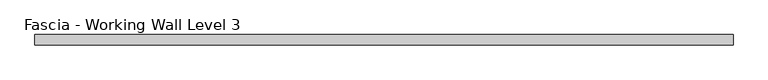
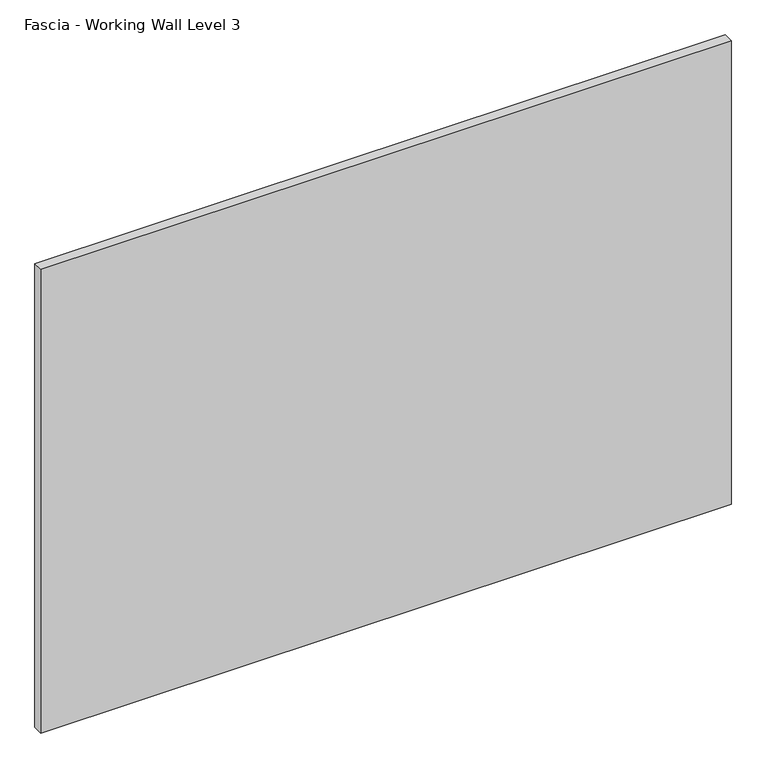
"""IFC4 building model written with IfcOpenShell, lengths in millimetres: proxy geometry, Fascia - Working Wall Level 3."""

from ifc_helpers import new_model, si_unit, origin, origin_with_axes, place, context, project, spatial, polyline, outline, extrude, source, transform, mapped, element, save


def fascia_working_wall_level_3_52405f20(model_context):
    return source(origin(), model_context, "Body", "SweptSolid", [
        extrude(outline(polyline([(-683.2777862, -24.22678), (-683.2777862, -6.75158), (521.7252112, -6.75158), (521.7252112, -24.22678), (-683.2777862, -24.22678)])), origin_with_axes(), (0.0, 0.0, 1.0), 855.9484),
    ])


if __name__ == "__main__":
    model = new_model("IFC4")
    model_context = context("Model", 3, world=origin())
    ifc_project = project(units=[si_unit("LENGTHUNIT", "METRE", prefix="MILLI")], contexts=[model_context])
    site = spatial("IfcSite", under=ifc_project)
    building = spatial("IfcBuilding", under=site)
    placement = place(None, origin())
    fascia_working_wall_level_3_shape = fascia_working_wall_level_3_52405f20(model_context)
    element("IfcBuildingElementProxy", 1, Name="Fascia - Working Wall Level 3", ObjectType="Fascia - Working Wall Level 3", at=placement, inside=building, context=model_context, shape_type="MappedRepresentation", body=[
        mapped(fascia_working_wall_level_3_shape, transform((0.0, 0.0, 0.0), x_axis=(1.0, 0.0, 0.0), y_axis=(0.0, 1.0, 0.0), z_axis=(0.0, 0.0, 1.0))),
    ])
    save(model, "model.ifc")
